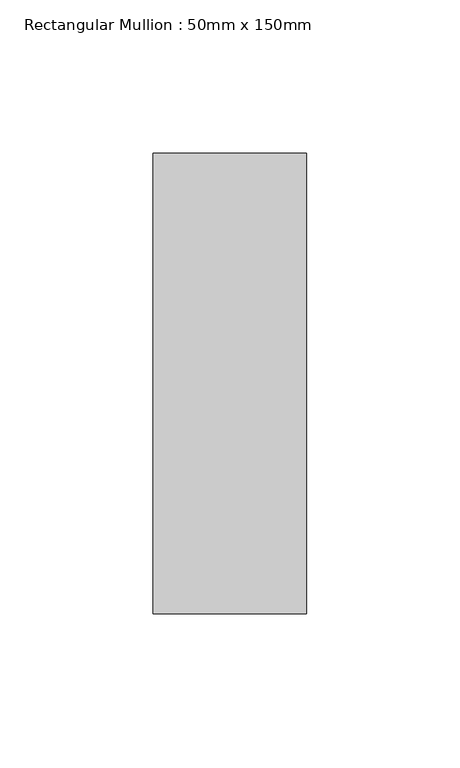
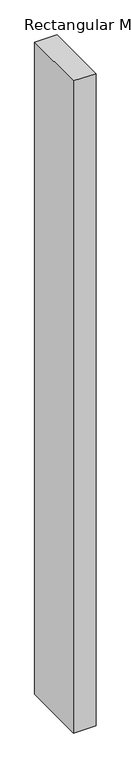
"""IFC4 building model written with IfcOpenShell, lengths in millimetres: member geometry, Rectangular Mullion : 50mm x 150mm."""

from ifc_helpers import new_model, si_unit, frame, origin, place, context, project, spatial, polyline, outline, extrude, source, transform, mapped, element, save


def rectangular_mullion_50mm_x_150mm_44a36a46(model_context):
    return source(origin(), model_context, "Body", "SweptSolid", [
        extrude(outline(polyline([(0.0, 75.0), (0.0, -75.0), (-50.0, -75.0), (-50.0, 75.0), (0.0, 75.0)])), frame((0.0, 0.0, -1535.0), z_axis=(0.0, 0.0, 1.0), x_axis=(1.0, 0.0, 0.0)), (0.0, 0.0, 1.0), 1535.0),
    ])


if __name__ == "__main__":
    model = new_model("IFC4")
    model_context = context("Model", 3, world=origin())
    ifc_project = project(units=[si_unit("LENGTHUNIT", "METRE", prefix="MILLI")], contexts=[model_context])
    site = spatial("IfcSite", under=ifc_project)
    building = spatial("IfcBuilding", under=site)
    placement = place(None, origin())
    rectangular_mullion_50mm_x_150mm_shape = rectangular_mullion_50mm_x_150mm_44a36a46(model_context)
    element("IfcMember", 1, ObjectType="Rectangular Mullion : 50mm x 150mm", at=placement, inside=building, context=model_context, shape_type="MappedRepresentation", body=[
        mapped(rectangular_mullion_50mm_x_150mm_shape, transform((0.0, 0.0, 0.0), x_axis=(1.0, 0.0, 0.0), y_axis=(0.0, 1.0, 0.0), z_axis=(0.0, 0.0, 1.0))),
    ])
    save(model, "model.ifc")
